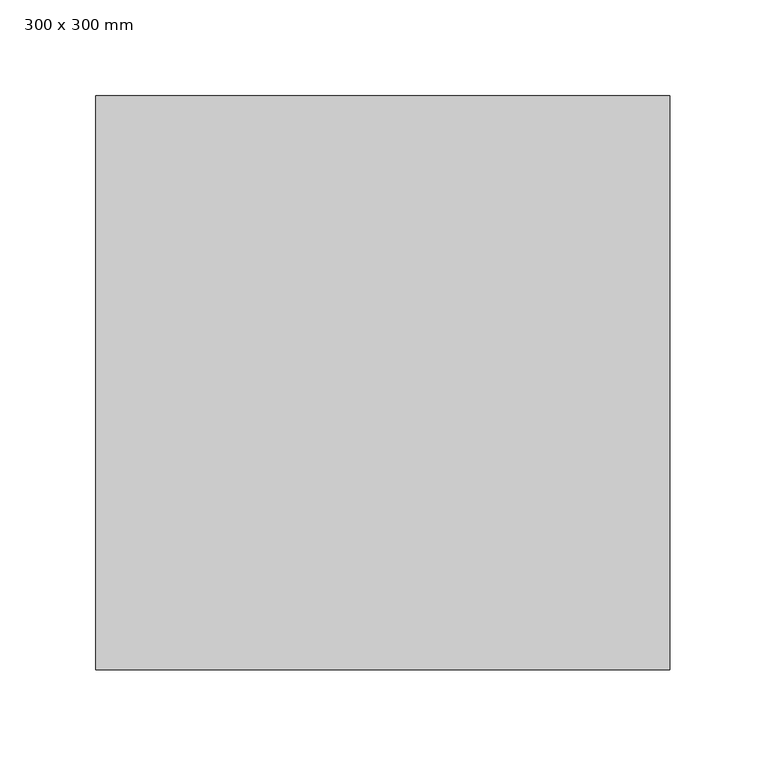
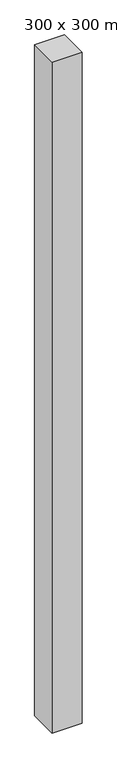
"""IFC4 building model written with IfcOpenShell, lengths in millimetres: column geometry, 300 x 300 mm."""

from ifc_helpers import new_model, si_unit, origin, origin_with_axes, place, context, project, spatial, polyline, outline, extrude, source, transform, mapped, element, save


def column_300_x_300_mm_60ec1a96(model_context):
    return source(origin(), model_context, "Body", "SweptSolid", [
        extrude(outline(polyline([(150.0, -150.0), (-150.0, -150.0), (-150.0, 150.0), (150.0, 150.0), (150.0, -150.0)])), origin_with_axes(), (0.0, 0.0, 1.0), 7100.0),
    ])


if __name__ == "__main__":
    model = new_model("IFC4")
    model_context = context("Model", 3, world=origin())
    ifc_project = project(units=[si_unit("LENGTHUNIT", "METRE", prefix="MILLI")], contexts=[model_context])
    site = spatial("IfcSite", under=ifc_project)
    building = spatial("IfcBuilding", under=site)
    placement = place(None, origin())
    column_300_x_300_mm_shape = column_300_x_300_mm_60ec1a96(model_context)
    element("IfcColumn", 1, ObjectType="300 x 300 mm", at=placement, inside=building, context=model_context, shape_type="MappedRepresentation", body=[
        mapped(column_300_x_300_mm_shape, transform((0.0, 0.0, 0.0), x_axis=(1.0, 0.0, 0.0), y_axis=(0.0, 1.0, 0.0), z_axis=(0.0, 0.0, 1.0))),
    ])
    save(model, "model.ifc")
